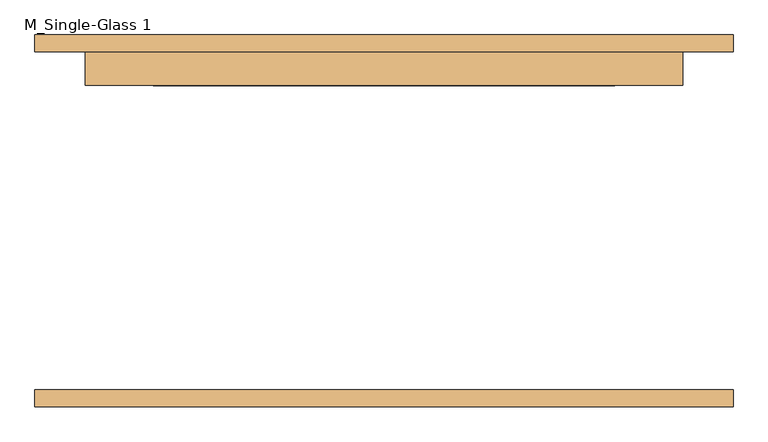
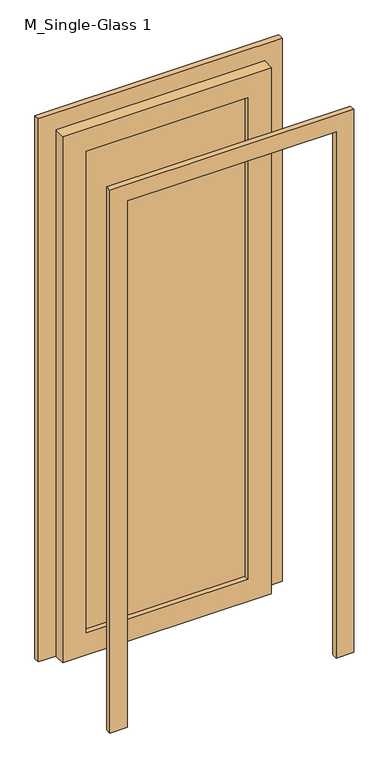
"""IFC4 building model written with IfcOpenShell, lengths in millimetres: door geometry, M_Single-Glass 1."""

from ifc_helpers import new_model, si_unit, frame, origin, place, context, project, spatial, polyline, outline, extrude, source, transform, mapped, element, save


def m_single_glass_1_d4f4edd0(model_context):
    return source(origin(), model_context, "Body", "SweptSolid", [
        extrude(outline(polyline([(2400.0, 450.0), (0.0, 450.0), (0.0, 526.0), (2476.0, 526.0), (2476.0, -526.0), (0.0, -526.0), (0.0, -450.0), (2400.0, -450.0), (2400.0, 450.0)])), frame((0.0, -280.0, 0.0), z_axis=(0.0, 1.0, 0.0), x_axis=(0.0, 0.0, 1.0)), (0.0, 0.0, 1.0), 25.0),
        extrude(outline(polyline([(2400.0, 450.0), (0.0, 450.0), (0.0, 526.0), (2476.0, 526.0), (2476.0, -526.0), (0.0, -526.0), (0.0, -450.0), (2400.0, -450.0), (2400.0, 450.0)])), frame((0.0, 255.0, 0.0), z_axis=(0.0, 1.0, 0.0), x_axis=(0.0, 0.0, 1.0)), (0.0, 0.0, 1.0), 25.0),
        extrude(outline(polyline([(348.0, 226.425), (-348.0, 226.425), (-348.0, 232.775), (348.0, 232.775), (348.0, 226.425)])), frame((0.0, 0.0, 102.0), z_axis=(0.0, 0.0, 1.0), x_axis=(1.0, 0.0, 0.0)), (0.0, 0.0, 1.0), 2196.0),
        extrude(outline(polyline([(2400.0, 450.0), (2400.0, -450.0), (0.0, -450.0), (0.0, 450.0), (2400.0, 450.0)]), holes=[polyline([(2298.0, -348.0), (2298.0, 348.0), (102.0, 348.0), (102.0, -348.0), (2298.0, -348.0)])]), frame((0.0, 204.0, 0.0), z_axis=(0.0, 1.0, 0.0), x_axis=(0.0, 0.0, 1.0)), (0.0, 0.0, 1.0), 51.0),
    ])


if __name__ == "__main__":
    model = new_model("IFC4")
    model_context = context("Model", 3, world=origin())
    ifc_project = project(units=[si_unit("LENGTHUNIT", "METRE", prefix="MILLI")], contexts=[model_context])
    site = spatial("IfcSite", under=ifc_project)
    building = spatial("IfcBuilding", under=site)
    placement = place(None, origin())
    m_single_glass_1_shape = m_single_glass_1_d4f4edd0(model_context)
    element("IfcDoor", 1, ObjectType="M_Single-Glass 1", at=placement, inside=building, context=model_context, shape_type="MappedRepresentation", body=[
        mapped(m_single_glass_1_shape, transform((0.0, 0.0, 0.0), x_axis=(1.0, 0.0, 0.0), y_axis=(0.0, 1.0, 0.0), z_axis=(0.0, 0.0, 1.0))),
    ])
    save(model, "model.ifc")
